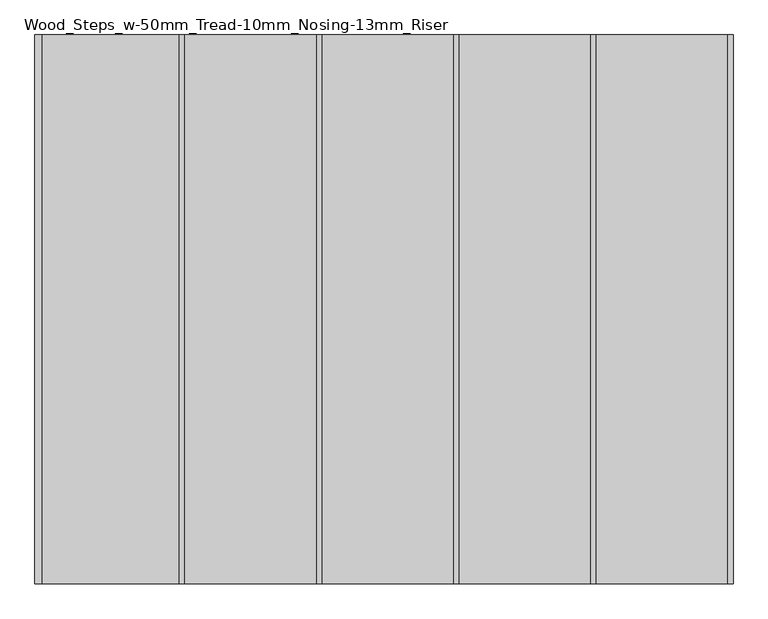
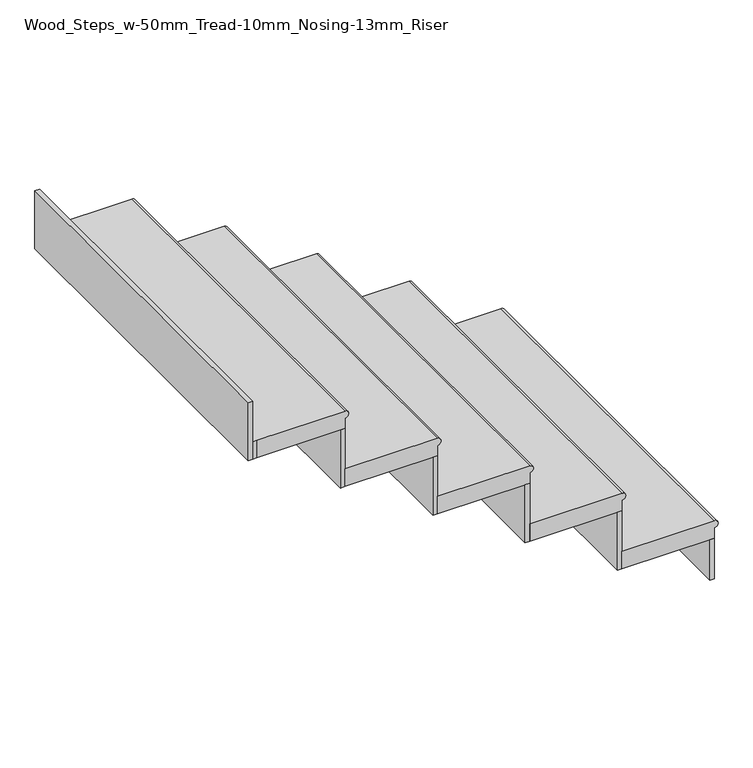
"""IFC4 building model written with IfcOpenShell, lengths in millimetres: stair flight geometry, Wood_Steps_w-50mm_Tread-10mm_Nosing-13mm_Riser."""

from ifc_helpers import new_model, si_unit, frame, origin, place, context, project, spatial, circle_curve, faceted_brep, source, transform, mapped, element, save
from ifc_brep_helpers import plane_surface, cylinder_surface, advanced_brep


def wood_steps_w_50mm_tread_10mm_nosing_13mm_riser_4e79ca36(model_context):
    return source(origin(), model_context, "Body", "SolidModel", [
        advanced_brep(
        [(334.6656166, -2024.8800806, 3845.8272331), (334.6656166, -2024.8800806, 3865.8272331), (334.6656166, -3024.8800806, 3865.8272331), (334.6656166, -3024.8800806, 3845.8272331), (84.6656166, -3024.8800806, 3865.8272331), (84.6656166, -2024.8800806, 3865.8272331), (334.6656166, -3024.8800806, 3815.8272331), (84.6656166, -3024.8800806, 3815.8272331), (84.6656166, -2024.8800806, 3815.8272331), (334.6656166, -2024.8800806, 3815.8272331)],
        [
            (0, 1, circle_curve(frame((334.6656166, -2024.8800806, 3855.8272331), z_axis=(0.0, -1.0, 0.0), x_axis=(-1.0, 0.0, 0.0)), 10.0)),
            (1, 2),
            (2, 3, circle_curve(frame((334.6656166, -3024.8800806, 3855.8272331), z_axis=(0.0, 1.0, 0.0), x_axis=(-1.0, 0.0, 0.0)), 10.0)),
            (3, 0),
            (4, 2),
            (1, 5),
            (5, 4),
            (6, 7),
            (7, 8),
            (8, 9),
            (9, 6),
            (4, 7),
            (6, 3),
            (9, 0),
            (8, 5),
        ],
        [
            cylinder_surface(frame((334.6656166, -2024.8800806, 3855.8272331), z_axis=(0.0, 1.0, 0.0), x_axis=(-1.0, 0.0, 0.0)), 10.0),
            plane_surface(frame((344.6656166, -3024.8800806, 3865.8272331), z_axis=(0.0, 0.0, 1.0), x_axis=(1.0, 0.0, 0.0))),
            plane_surface(frame((344.6656166, -3024.8800806, 3815.8272331), z_axis=(0.0, 0.0, -1.0), x_axis=(-1.0, 0.0, 0.0))),
            plane_surface(frame((84.6656166, -3024.8800806, 3865.8272331), z_axis=(0.0, -1.0, 0.0), x_axis=(0.0, 0.0, -1.0))),
            plane_surface(frame((334.6656166, -3024.8800806, 3865.8272331), z_axis=(1.0, 0.0, 0.0), x_axis=(0.0, 0.0, -1.0))),
            plane_surface(frame((334.6656166, -2024.8800806, 3865.8272331), z_axis=(0.0, 1.0, 0.0), x_axis=(0.0, 0.0, -1.0))),
            plane_surface(frame((84.6656166, -2024.8800806, 3865.8272331), z_axis=(-1.0, 0.0, 0.0), x_axis=(0.0, 0.0, -1.0))),
        ],
        [
            (0, [[1, 2, 3, 4]]),
            (1, [[5, -2, 6, 7]]),
            (2, [[8, 9, 10, 11]]),
            (3, [[-5, 12, -8, 13, -3]]),
            (4, [[-11, 14, -4, -13]]),
            (5, [[-6, -1, -14, -10, 15]]),
            (6, [[-7, -15, -9, -12]]),
        ],
    ),
        faceted_brep([(334.6656166, -2024.8800806, 3815.8272331), (334.6656166, -2024.8800806, 3699.9335047), (322.1656166, -2024.8800806, 3699.9335047), (322.1656166, -2024.8800806, 3815.8272331), (334.6656166, -3024.8800806, 3815.8272331), (322.1656166, -3024.8800806, 3815.8272331), (322.1656166, -3024.8800806, 3699.9335047), (334.6656166, -3024.8800806, 3699.9335047)], [[[0, 1, 2, 3]], [[4, 5, 6, 7]], [[1, 0, 4, 7]], [[2, 1, 7, 6]], [[3, 2, 6, 5]], [[0, 3, 5, 4]]]),
        faceted_brep([(84.6656166, -2024.8800806, 3981.7209615), (84.6656166, -2024.8800806, 3815.8272331), (72.1656166, -2024.8800806, 3815.8272331), (72.1656166, -2024.8800806, 3981.7209615), (84.6656166, -3024.8800806, 3981.7209615), (72.1656166, -3024.8800806, 3981.7209615), (72.1656166, -3024.8800806, 3815.8272331), (84.6656166, -3024.8800806, 3815.8272331)], [[[0, 1, 2, 3]], [[4, 5, 6, 7]], [[1, 0, 4, 7]], [[2, 1, 7, 6]], [[3, 2, 6, 5]], [[0, 3, 5, 4]]]),
        advanced_brep(
        [(-165.3343834, -3024.8800806, 4031.7209615), (84.6656166, -3024.8800806, 4031.7209615), (84.6656166, -2024.8800806, 4031.7209615), (-165.3343834, -2024.8800806, 4031.7209615), (84.6656166, -3024.8800806, 3981.7209615), (-165.3343834, -3024.8800806, 3981.7209615), (-165.3343834, -2024.8800806, 3981.7209615), (84.6656166, -2024.8800806, 3981.7209615), (84.6656166, -3024.8800806, 4011.7209615), (84.6656166, -2024.8800806, 4011.7209615)],
        [
            (0, 1),
            (1, 2),
            (2, 3),
            (3, 0),
            (4, 5),
            (5, 6),
            (6, 7),
            (7, 4),
            (0, 5),
            (4, 8),
            (8, 1, circle_curve(frame((84.6656166, -3024.8800806, 4021.7209615), z_axis=(0.0, -1.0, 0.0), x_axis=(-1.0, 0.0, 0.0)), 10.0)),
            (7, 9),
            (9, 8),
            (2, 9, circle_curve(frame((84.6656166, -2024.8800806, 4021.7209615), z_axis=(0.0, 1.0, 0.0), x_axis=(-1.0, 0.0, 0.0)), 10.0)),
            (6, 3),
        ],
        [
            plane_surface(frame((344.6656166, -3024.8800806, 4031.7209615), z_axis=(0.0, 0.0, 1.0), x_axis=(1.0, 0.0, 0.0))),
            plane_surface(frame((344.6656166, -3024.8800806, 3981.7209615), z_axis=(0.0, 0.0, -1.0), x_axis=(-1.0, 0.0, 0.0))),
            plane_surface(frame((-165.3343834, -3024.8800806, 4031.7209615), z_axis=(0.0, -1.0, 0.0), x_axis=(0.0, 0.0, -1.0))),
            plane_surface(frame((84.6656166, -3024.8800806, 4031.7209615), z_axis=(1.0, 0.0, 0.0), x_axis=(0.0, 0.0, -1.0))),
            plane_surface(frame((84.6656166, -2024.8800806, 4031.7209615), z_axis=(0.0, 1.0, 0.0), x_axis=(0.0, 0.0, -1.0))),
            plane_surface(frame((-165.3343834, -2024.8800806, 4031.7209615), z_axis=(-1.0, 0.0, 0.0), x_axis=(0.0, 0.0, -1.0))),
            cylinder_surface(frame((84.6656166, -2024.8800806, 4021.7209615), z_axis=(0.0, 1.0, 0.0), x_axis=(-1.0, 0.0, 0.0)), 10.0),
        ],
        [
            (0, [[1, 2, 3, 4]]),
            (1, [[5, 6, 7, 8]]),
            (2, [[-1, 9, -5, 10, 11]]),
            (3, [[-8, 12, 13, -10]]),
            (4, [[-3, 14, -12, -7, 15]]),
            (5, [[-4, -15, -6, -9]]),
            (6, [[-14, -2, -11, -13]]),
        ],
    ),
        faceted_brep([(-165.3343834, -2024.8800806, 4147.6146899), (-165.3343834, -2024.8800806, 3981.7209615), (-177.8343834, -2024.8800806, 3981.7209615), (-177.8343834, -2024.8800806, 4147.6146899), (-165.3343834, -3024.8800806, 4147.6146899), (-177.8343834, -3024.8800806, 4147.6146899), (-177.8343834, -3024.8800806, 3981.7209615), (-165.3343834, -3024.8800806, 3981.7209615)], [[[0, 1, 2, 3]], [[4, 5, 6, 7]], [[1, 0, 4, 7]], [[2, 1, 7, 6]], [[3, 2, 6, 5]], [[0, 3, 5, 4]]]),
        advanced_brep(
        [(-415.3343834, -3024.8800806, 4197.6146899), (-165.3343834, -3024.8800806, 4197.6146899), (-165.3343834, -2024.8800806, 4197.6146899), (-415.3343834, -2024.8800806, 4197.6146899), (-165.3343834, -3024.8800806, 4147.6146899), (-415.3343834, -3024.8800806, 4147.6146899), (-415.3343834, -2024.8800806, 4147.6146899), (-165.3343834, -2024.8800806, 4147.6146899), (-165.3343834, -3024.8800806, 4177.6146899), (-165.3343834, -2024.8800806, 4177.6146899)],
        [
            (0, 1),
            (1, 2),
            (2, 3),
            (3, 0),
            (4, 5),
            (5, 6),
            (6, 7),
            (7, 4),
            (0, 5),
            (4, 8),
            (8, 1, circle_curve(frame((-165.3343834, -3024.8800806, 4187.6146899), z_axis=(0.0, -1.0, 0.0), x_axis=(-1.0, 0.0, 0.0)), 10.0)),
            (7, 9),
            (9, 8),
            (2, 9, circle_curve(frame((-165.3343834, -2024.8800806, 4187.6146899), z_axis=(0.0, 1.0, 0.0), x_axis=(-1.0, 0.0, 0.0)), 10.0)),
            (6, 3),
        ],
        [
            plane_surface(frame((94.6656166, -3024.8800806, 4197.6146899), z_axis=(0.0, 0.0, 1.0), x_axis=(1.0, 0.0, 0.0))),
            plane_surface(frame((94.6656166, -3024.8800806, 4147.6146899), z_axis=(0.0, 0.0, -1.0), x_axis=(-1.0, 0.0, 0.0))),
            plane_surface(frame((-415.3343834, -3024.8800806, 4197.6146899), z_axis=(0.0, -1.0, 0.0), x_axis=(0.0, 0.0, -1.0))),
            plane_surface(frame((-165.3343834, -3024.8800806, 4197.6146899), z_axis=(1.0, 0.0, 0.0), x_axis=(0.0, 0.0, -1.0))),
            plane_surface(frame((-165.3343834, -2024.8800806, 4197.6146899), z_axis=(0.0, 1.0, 0.0), x_axis=(0.0, 0.0, -1.0))),
            plane_surface(frame((-415.3343834, -2024.8800806, 4197.6146899), z_axis=(-1.0, 0.0, 0.0), x_axis=(0.0, 0.0, -1.0))),
            cylinder_surface(frame((-165.3343834, -2024.8800806, 4187.6146899), z_axis=(0.0, 1.0, 0.0), x_axis=(-1.0, 0.0, 0.0)), 10.0),
        ],
        [
            (0, [[1, 2, 3, 4]]),
            (1, [[5, 6, 7, 8]]),
            (2, [[-1, 9, -5, 10, 11]]),
            (3, [[-8, 12, 13, -10]]),
            (4, [[-3, 14, -12, -7, 15]]),
            (5, [[-4, -15, -6, -9]]),
            (6, [[-14, -2, -11, -13]]),
        ],
    ),
        faceted_brep([(-415.3343834, -2024.8800806, 4313.5084184), (-415.3343834, -2024.8800806, 4147.6146899), (-427.8343834, -2024.8800806, 4147.6146899), (-427.8343834, -2024.8800806, 4313.5084184), (-415.3343834, -3024.8800806, 4313.5084184), (-427.8343834, -3024.8800806, 4313.5084184), (-427.8343834, -3024.8800806, 4147.6146899), (-415.3343834, -3024.8800806, 4147.6146899)], [[[0, 1, 2, 3]], [[4, 5, 6, 7]], [[1, 0, 4, 7]], [[2, 1, 7, 6]], [[3, 2, 6, 5]], [[0, 3, 5, 4]]]),
        advanced_brep(
        [(-665.3343834, -3024.8800806, 4363.5084184), (-415.3343834, -3024.8800806, 4363.5084184), (-415.3343834, -2024.8800806, 4363.5084184), (-665.3343834, -2024.8800806, 4363.5084184), (-415.3343834, -3024.8800806, 4313.5084184), (-665.3343834, -3024.8800806, 4313.5084184), (-665.3343834, -2024.8800806, 4313.5084184), (-415.3343834, -2024.8800806, 4313.5084184), (-415.3343834, -3024.8800806, 4343.5084184), (-415.3343834, -2024.8800806, 4343.5084184)],
        [
            (0, 1),
            (1, 2),
            (2, 3),
            (3, 0),
            (4, 5),
            (5, 6),
            (6, 7),
            (7, 4),
            (0, 5),
            (4, 8),
            (8, 1, circle_curve(frame((-415.3343834, -3024.8800806, 4353.5084184), z_axis=(0.0, -1.0, 0.0), x_axis=(-1.0, 0.0, 0.0)), 10.0)),
            (7, 9),
            (9, 8),
            (2, 9, circle_curve(frame((-415.3343834, -2024.8800806, 4353.5084184), z_axis=(0.0, 1.0, 0.0), x_axis=(-1.0, 0.0, 0.0)), 10.0)),
            (6, 3),
        ],
        [
            plane_surface(frame((-155.3343834, -3024.8800806, 4363.5084184), z_axis=(0.0, 0.0, 1.0), x_axis=(1.0, 0.0, 0.0))),
            plane_surface(frame((-155.3343834, -3024.8800806, 4313.5084184), z_axis=(0.0, 0.0, -1.0), x_axis=(-1.0, 0.0, 0.0))),
            plane_surface(frame((-665.3343834, -3024.8800806, 4363.5084184), z_axis=(0.0, -1.0, 0.0), x_axis=(0.0, 0.0, -1.0))),
            plane_surface(frame((-415.3343834, -3024.8800806, 4363.5084184), z_axis=(1.0, 0.0, 0.0), x_axis=(0.0, 0.0, -1.0))),
            plane_surface(frame((-415.3343834, -2024.8800806, 4363.5084184), z_axis=(0.0, 1.0, 0.0), x_axis=(0.0, 0.0, -1.0))),
            plane_surface(frame((-665.3343834, -2024.8800806, 4363.5084184), z_axis=(-1.0, 0.0, 0.0), x_axis=(0.0, 0.0, -1.0))),
            cylinder_surface(frame((-415.3343834, -2024.8800806, 4353.5084184), z_axis=(0.0, 1.0, 0.0), x_axis=(-1.0, 0.0, 0.0)), 10.0),
        ],
        [
            (0, [[1, 2, 3, 4]]),
            (1, [[5, 6, 7, 8]]),
            (2, [[-1, 9, -5, 10, 11]]),
            (3, [[-8, 12, 13, -10]]),
            (4, [[-3, 14, -12, -7, 15]]),
            (5, [[-4, -15, -6, -9]]),
            (6, [[-14, -2, -11, -13]]),
        ],
    ),
        faceted_brep([(-915.3343834, -2024.8800806, 4645.2958752), (-915.3343834, -2024.8800806, 4479.4021468), (-927.8343834, -2024.8800806, 4479.4021468), (-927.8343834, -2024.8800806, 4645.2958752), (-915.3343834, -3024.8800806, 4645.2958752), (-927.8343834, -3024.8800806, 4645.2958752), (-927.8343834, -3024.8800806, 4479.4021468), (-915.3343834, -3024.8800806, 4479.4021468)], [[[0, 1, 2, 3]], [[4, 5, 6, 7]], [[1, 0, 4, 7]], [[2, 1, 7, 6]], [[3, 2, 6, 5]], [[0, 3, 5, 4]]]),
        faceted_brep([(-665.3343834, -2024.8800806, 4479.4021468), (-665.3343834, -2024.8800806, 4313.5084184), (-677.8343834, -2024.8800806, 4313.5084184), (-677.8343834, -2024.8800806, 4479.4021468), (-665.3343834, -3024.8800806, 4479.4021468), (-677.8343834, -3024.8800806, 4479.4021468), (-677.8343834, -3024.8800806, 4313.5084184), (-665.3343834, -3024.8800806, 4313.5084184)], [[[0, 1, 2, 3]], [[4, 5, 6, 7]], [[1, 0, 4, 7]], [[2, 1, 7, 6]], [[3, 2, 6, 5]], [[0, 3, 5, 4]]]),
        advanced_brep(
        [(-915.3343834, -3024.8800806, 4529.4021468), (-905.3343834, -3024.8800806, 4529.4021468), (-665.3343834, -3024.8800806, 4529.4021468), (-665.3343834, -2024.8800806, 4529.4021468), (-915.3343834, -2024.8800806, 4529.4021468), (-905.3343834, -3024.8800806, 4479.4021468), (-915.3343834, -3024.8800806, 4479.4021468), (-915.3343834, -2024.8800806, 4479.4021468), (-665.3343834, -2024.8800806, 4479.4021468), (-665.3343834, -3024.8800806, 4479.4021468), (-665.3343834, -3024.8800806, 4509.4021468), (-665.3343834, -2024.8800806, 4509.4021468)],
        [
            (0, 1),
            (1, 2),
            (2, 3),
            (3, 4),
            (4, 0),
            (5, 6),
            (6, 7),
            (7, 8),
            (8, 9),
            (9, 5),
            (0, 6),
            (5, 1),
            (9, 10),
            (10, 2, circle_curve(frame((-665.3343834, -3024.8800806, 4519.4021468), z_axis=(0.0, -1.0, 0.0), x_axis=(-1.0, 0.0, 0.0)), 10.0)),
            (8, 11),
            (11, 10),
            (3, 11, circle_curve(frame((-665.3343834, -2024.8800806, 4519.4021468), z_axis=(0.0, 1.0, 0.0), x_axis=(-1.0, 0.0, 0.0)), 10.0)),
            (7, 4),
        ],
        [
            plane_surface(frame((-905.3343834, -3024.8800806, 4529.4021468), z_axis=(0.0, 0.0, 1.0), x_axis=(1.0, 0.0, 0.0))),
            plane_surface(frame((-905.3343834, -3024.8800806, 4479.4021468), z_axis=(0.0, 0.0, -1.0), x_axis=(-1.0, 0.0, 0.0))),
            plane_surface(frame((-915.3343834, -3024.8800806, 4529.4021468), z_axis=(0.0, -1.0, 0.0), x_axis=(0.0, 0.0, -1.0))),
            plane_surface(frame((-905.3343834, -3024.8800806, 4529.4021468), z_axis=(0.0, -1.0, 0.0), x_axis=(0.0, 0.0, -1.0))),
            plane_surface(frame((-665.3343834, -3024.8800806, 4529.4021468), z_axis=(1.0, 0.0, 0.0), x_axis=(0.0, 0.0, -1.0))),
            plane_surface(frame((-665.3343834, -2024.8800806, 4529.4021468), z_axis=(0.0, 1.0, 0.0), x_axis=(0.0, 0.0, -1.0))),
            plane_surface(frame((-915.3343834, -2024.8800806, 4529.4021468), z_axis=(-1.0, 0.0, 0.0), x_axis=(0.0, 0.0, -1.0))),
            cylinder_surface(frame((-665.3343834, -2024.8800806, 4519.4021468), z_axis=(0.0, 1.0, 0.0), x_axis=(-1.0, 0.0, 0.0)), 10.0),
        ],
        [
            (0, [[1, 2, 3, 4, 5]]),
            (1, [[6, 7, 8, 9, 10]]),
            (2, [[-1, 11, -6, 12]]),
            (3, [[-2, -12, -10, 13, 14]]),
            (4, [[-9, 15, 16, -13]]),
            (5, [[-4, 17, -15, -8, 18]]),
            (6, [[-5, -18, -7, -11]]),
            (7, [[-17, -3, -14, -16]]),
        ],
    ),
    ])


if __name__ == "__main__":
    model = new_model("IFC4")
    model_context = context("Model", 3, world=origin())
    ifc_project = project(units=[si_unit("LENGTHUNIT", "METRE", prefix="MILLI")], contexts=[model_context])
    site = spatial("IfcSite", under=ifc_project)
    building = spatial("IfcBuilding", under=site)
    placement = place(None, origin())
    wood_steps_w_50mm_tread_10mm_nosing_13mm_riser_shape = wood_steps_w_50mm_tread_10mm_nosing_13mm_riser_4e79ca36(model_context)
    element("IfcStairFlight", 1, ObjectType="Wood_Steps_w-50mm_Tread-10mm_Nosing-13mm_Riser", at=placement, inside=building, context=model_context, shape_type="MappedRepresentation", body=[
        mapped(wood_steps_w_50mm_tread_10mm_nosing_13mm_riser_shape, transform((0.0, 0.0, 0.0), x_axis=(1.0, 0.0, 0.0), y_axis=(0.0, 1.0, 0.0), z_axis=(0.0, 0.0, 1.0))),
    ])
    save(model, "model.ifc")
